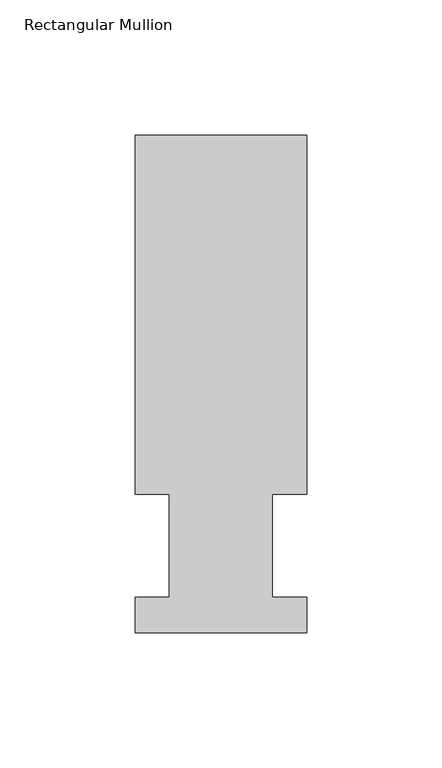
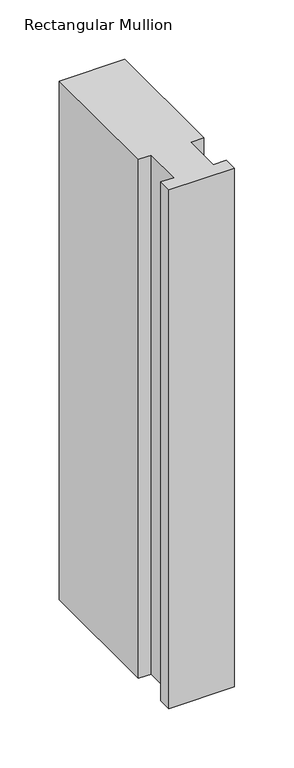
"""IFC4 building model written with IfcOpenShell, lengths in millimetres: member geometry, Rectangular Mullion."""

from ifc_helpers import new_model, si_unit, frame, origin, place, context, project, spatial, polyline, outline, extrude, source, transform, mapped, element, save


def rectangular_mullion_60118c9e(model_context):
    return source(origin(), model_context, "Body", "SweptSolid", [
        extrude(outline(polyline([(0.0, 184.2396937), (0.0, 51.2960937), (-12.6873001, 51.2960938), (-12.6873001, 13.1960938), (0.0, 13.1960938), (0.0, 0.0134938), (-63.5000001, 0.0134938), (-63.5000001, 13.1960938), (-50.8127001, 13.1960938), (-50.8127001, 51.2960938), (-63.5127, 51.2960938), (-63.5127, 184.2396938), (0.0, 184.2396937)])), frame((0.0, 0.0, -533.349167), z_axis=(0.0, 0.0, 1.0), x_axis=(1.0, 0.0, 0.0)), (0.0, 0.0, 1.0), 533.349167),
    ])


if __name__ == "__main__":
    model = new_model("IFC4")
    model_context = context("Model", 3, world=origin())
    ifc_project = project(units=[si_unit("LENGTHUNIT", "METRE", prefix="MILLI")], contexts=[model_context])
    site = spatial("IfcSite", under=ifc_project)
    building = spatial("IfcBuilding", under=site)
    placement = place(None, origin())
    rectangular_mullion_shape = rectangular_mullion_60118c9e(model_context)
    element("IfcMember", 1, ObjectType="Rectangular Mullion", at=placement, inside=building, context=model_context, shape_type="MappedRepresentation", body=[
        mapped(rectangular_mullion_shape, transform((0.0, 0.0, 0.0), x_axis=(1.0, 0.0, 0.0), y_axis=(0.0, 1.0, 0.0), z_axis=(0.0, 0.0, 1.0))),
    ])
    save(model, "model.ifc")
